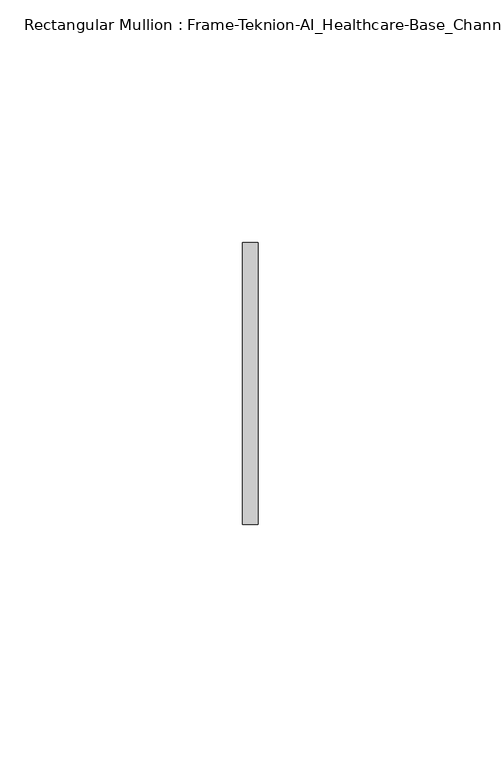
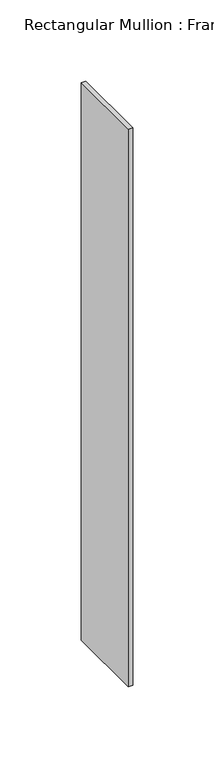
"""IFC4 building model written with IfcOpenShell, lengths in millimetres: member geometry, Rectangular Mullion : Frame-Teknion-AI_Healthcare-Base_Channel."""

from ifc_helpers import new_model, si_unit, frame, origin, place, context, project, spatial, polyline, outline, extrude, source, transform, mapped, element, save


def rectangular_mullion_frame_teknion_ai_healthcare_base_channel_33b6764d(model_context):
    return source(origin(), model_context, "Body", "SweptSolid", [
        extrude(outline(polyline([(0.0, 29.0214844), (0.0, -29.0214844), (-3.175, -29.0214844), (-3.175, 29.0214844), (0.0, 29.0214844)])), frame((0.0, 0.0, -419.7831969), z_axis=(0.0, 0.0, 1.0), x_axis=(1.0, 0.0, 0.0)), (0.0, 0.0, 1.0), 419.7831969),
    ])


if __name__ == "__main__":
    model = new_model("IFC4")
    model_context = context("Model", 3, world=origin())
    ifc_project = project(units=[si_unit("LENGTHUNIT", "METRE", prefix="MILLI")], contexts=[model_context])
    site = spatial("IfcSite", under=ifc_project)
    building = spatial("IfcBuilding", under=site)
    placement = place(None, origin())
    rectangular_mullion_frame_teknion_ai_healthcare_base_channel_shape = rectangular_mullion_frame_teknion_ai_healthcare_base_channel_33b6764d(model_context)
    element("IfcMember", 1, ObjectType="Rectangular Mullion : Frame-Teknion-AI_Healthcare-Base_Channel", at=placement, inside=building, context=model_context, shape_type="MappedRepresentation", body=[
        mapped(rectangular_mullion_frame_teknion_ai_healthcare_base_channel_shape, transform((0.0, 0.0, 0.0), x_axis=(1.0, 0.0, 0.0), y_axis=(0.0, 1.0, 0.0), z_axis=(0.0, 0.0, 1.0))),
    ])
    save(model, "model.ifc")
